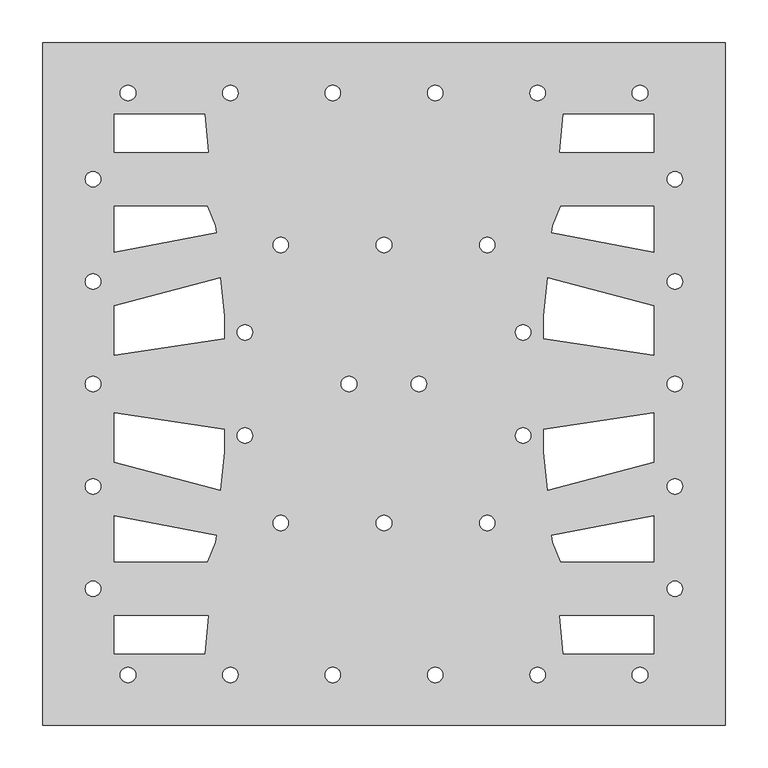
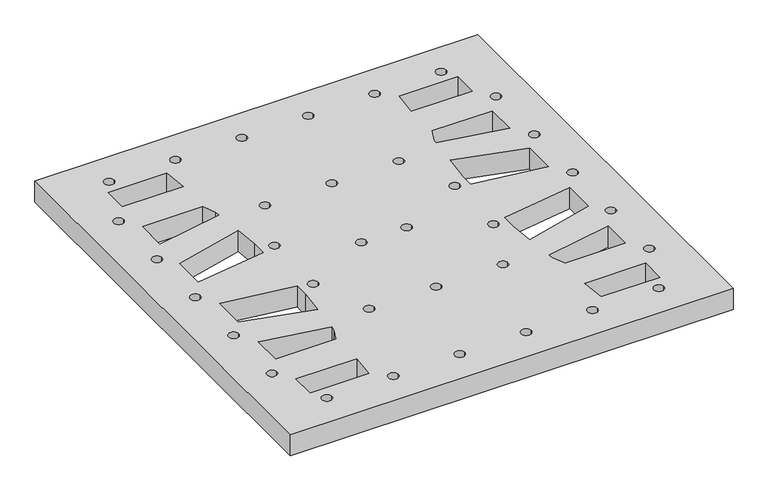
"""IFC4 building model written with IfcOpenShell, lengths in millimetres: proxy geometry."""

from ifc_helpers import new_model, si_unit, point, frame_2d, origin, origin_with_axes, place, context, project, spatial, polyline, circle_curve, trimmed, segment, composite_curve, outline, extrude, source, transform, mapped, element, save


def specialty_equipment_4893be3d(model_context):
    return source(origin(), model_context, "Body", "SweptSolid", [
        extrude(outline(polyline([(-757.5, 400.0), (-757.5, -400.0), (-1557.5, -400.0), (-1557.5, 400.0), (-757.5, 400.0)]), holes=[composite_curve([segment(trimmed(circle_curve(frame_2d((-816.5, 240.0)), 9.0), [point((-825.5, 240.0))], [point((-807.5, 240.0))], True, "CARTESIAN"), True, "CONTINUOUS"), segment(trimmed(circle_curve(frame_2d((-816.5, 240.0)), 9.0), [point((-807.5, 240.0))], [point((-825.5, 240.0))], True, "CARTESIAN"), True, "CONTINUOUS")], self_intersect=False), composite_curve([segment(trimmed(circle_curve(frame_2d((-816.5, 120.0)), 9.0), [point((-825.5, 120.0))], [point((-807.5, 120.0))], True, "CARTESIAN"), True, "CONTINUOUS"), segment(trimmed(circle_curve(frame_2d((-816.5, 120.0)), 9.0), [point((-807.5, 120.0))], [point((-825.5, 120.0))], True, "CARTESIAN"), True, "CONTINUOUS")], self_intersect=False), composite_curve([segment(trimmed(circle_curve(frame_2d((-816.5, 0.0)), 9.0), [point((-825.5, 0.0))], [point((-807.5, 0.0))], True, "CARTESIAN"), True, "CONTINUOUS"), segment(trimmed(circle_curve(frame_2d((-816.5, 0.0)), 9.0), [point((-807.5, 0.0))], [point((-825.5, 0.0))], True, "CARTESIAN"), True, "CONTINUOUS")], self_intersect=False), composite_curve([segment(trimmed(circle_curve(frame_2d((-816.5, -120.0)), 9.0), [point((-825.5, -120.0))], [point((-807.5, -120.0))], True, "CARTESIAN"), True, "CONTINUOUS"), segment(trimmed(circle_curve(frame_2d((-816.5, -120.0)), 9.0), [point((-807.5, -120.0))], [point((-825.5, -120.0))], True, "CARTESIAN"), True, "CONTINUOUS")], self_intersect=False), composite_curve([segment(trimmed(circle_curve(frame_2d((-816.5, -240.0)), 9.0), [point((-825.5, -240.0))], [point((-807.5, -240.0))], True, "CARTESIAN"), True, "CONTINUOUS"), segment(trimmed(circle_curve(frame_2d((-816.5, -240.0)), 9.0), [point((-807.5, -240.0))], [point((-825.5, -240.0))], True, "CARTESIAN"), True, "CONTINUOUS")], self_intersect=False), composite_curve([segment(trimmed(circle_curve(frame_2d((-857.5, 341.0)), 9.0), [point((-866.5, 341.0))], [point((-848.5, 341.0))], True, "CARTESIAN"), True, "CONTINUOUS"), segment(trimmed(circle_curve(frame_2d((-857.5, 341.0)), 9.0), [point((-848.5, 341.0))], [point((-866.5, 341.0))], True, "CARTESIAN"), True, "CONTINUOUS")], self_intersect=False), composite_curve([segment(trimmed(circle_curve(frame_2d((-857.5, -341.0)), 9.0), [point((-866.5, -341.0))], [point((-848.5, -341.0))], True, "CARTESIAN"), True, "CONTINUOUS"), segment(trimmed(circle_curve(frame_2d((-857.5, -341.0)), 9.0), [point((-848.5, -341.0))], [point((-866.5, -341.0))], True, "CARTESIAN"), True, "CONTINUOUS")], self_intersect=False), composite_curve([segment(trimmed(circle_curve(frame_2d((-977.5, 341.0)), 9.0), [point((-986.5, 341.0))], [point((-968.5, 341.0))], True, "CARTESIAN"), True, "CONTINUOUS"), segment(trimmed(circle_curve(frame_2d((-977.5, 341.0)), 9.0), [point((-968.5, 341.0))], [point((-986.5, 341.0))], True, "CARTESIAN"), True, "CONTINUOUS")], self_intersect=False), composite_curve([segment(trimmed(circle_curve(frame_2d((-977.5, -341.0)), 9.0), [point((-986.5, -341.0))], [point((-968.5, -341.0))], True, "CARTESIAN"), True, "CONTINUOUS"), segment(trimmed(circle_curve(frame_2d((-977.5, -341.0)), 9.0), [point((-968.5, -341.0))], [point((-986.5, -341.0))], True, "CARTESIAN"), True, "CONTINUOUS")], self_intersect=False), composite_curve([segment(trimmed(circle_curve(frame_2d((-994.5, -60.5)), 9.0), [point((-1003.5, -60.5))], [point((-985.5, -60.5))], True, "CARTESIAN"), True, "CONTINUOUS"), segment(trimmed(circle_curve(frame_2d((-994.5, -60.5)), 9.0), [point((-985.5, -60.5))], [point((-1003.5, -60.5))], True, "CARTESIAN"), True, "CONTINUOUS")], self_intersect=False), composite_curve([segment(trimmed(circle_curve(frame_2d((-994.5, 60.5)), 9.0), [point((-1003.5, 60.5))], [point((-985.5, 60.5))], True, "CARTESIAN"), True, "CONTINUOUS"), segment(trimmed(circle_curve(frame_2d((-994.5, 60.5)), 9.0), [point((-985.5, 60.5))], [point((-1003.5, 60.5))], True, "CARTESIAN"), True, "CONTINUOUS")], self_intersect=False), composite_curve([segment(trimmed(circle_curve(frame_2d((-1036.5, -163.0)), 9.0), [point((-1045.5, -163.0))], [point((-1027.5, -163.0))], True, "CARTESIAN"), True, "CONTINUOUS"), segment(trimmed(circle_curve(frame_2d((-1036.5, -163.0)), 9.0), [point((-1027.5, -163.0))], [point((-1045.5, -163.0))], True, "CARTESIAN"), True, "CONTINUOUS")], self_intersect=False), composite_curve([segment(trimmed(circle_curve(frame_2d((-1036.5, 163.0)), 9.0), [point((-1045.5, 163.0))], [point((-1027.5, 163.0))], True, "CARTESIAN"), True, "CONTINUOUS"), segment(trimmed(circle_curve(frame_2d((-1036.5, 163.0)), 9.0), [point((-1027.5, 163.0))], [point((-1045.5, 163.0))], True, "CARTESIAN"), True, "CONTINUOUS")], self_intersect=False), composite_curve([segment(trimmed(circle_curve(frame_2d((-1097.5, 341.0)), 9.0), [point((-1106.5, 341.0))], [point((-1088.5, 341.0))], True, "CARTESIAN"), True, "CONTINUOUS"), segment(trimmed(circle_curve(frame_2d((-1097.5, 341.0)), 9.0), [point((-1088.5, 341.0))], [point((-1106.5, 341.0))], True, "CARTESIAN"), True, "CONTINUOUS")], self_intersect=False), composite_curve([segment(trimmed(circle_curve(frame_2d((-1097.5, -341.0)), 9.0), [point((-1106.5, -341.0))], [point((-1088.5, -341.0))], True, "CARTESIAN"), True, "CONTINUOUS"), segment(trimmed(circle_curve(frame_2d((-1097.5, -341.0)), 9.0), [point((-1088.5, -341.0))], [point((-1106.5, -341.0))], True, "CARTESIAN"), True, "CONTINUOUS")], self_intersect=False), composite_curve([segment(trimmed(circle_curve(frame_2d((-1116.5, 0.0)), 9.0), [point((-1125.5, 0.0))], [point((-1107.5, 0.0))], True, "CARTESIAN"), True, "CONTINUOUS"), segment(trimmed(circle_curve(frame_2d((-1116.5, 0.0)), 9.0), [point((-1107.5, 0.0))], [point((-1125.5, 0.0))], True, "CARTESIAN"), True, "CONTINUOUS")], self_intersect=False), composite_curve([segment(trimmed(circle_curve(frame_2d((-1157.5, 163.0)), 9.0), [point((-1166.5, 163.0))], [point((-1148.5, 163.0))], True, "CARTESIAN"), True, "CONTINUOUS"), segment(trimmed(circle_curve(frame_2d((-1157.5, 163.0)), 9.0), [point((-1148.5, 163.0))], [point((-1166.5, 163.0))], True, "CARTESIAN"), True, "CONTINUOUS")], self_intersect=False), composite_curve([segment(trimmed(circle_curve(frame_2d((-1157.5, -163.0)), 9.0), [point((-1166.5, -163.0))], [point((-1148.5, -163.0))], True, "CARTESIAN"), True, "CONTINUOUS"), segment(trimmed(circle_curve(frame_2d((-1157.5, -163.0)), 9.0), [point((-1148.5, -163.0))], [point((-1166.5, -163.0))], True, "CARTESIAN"), True, "CONTINUOUS")], self_intersect=False), composite_curve([segment(trimmed(circle_curve(frame_2d((-1198.5, 0.0)), 9.0), [point((-1207.5, 0.0))], [point((-1189.5, 0.0))], True, "CARTESIAN"), True, "CONTINUOUS"), segment(trimmed(circle_curve(frame_2d((-1198.5, 0.0)), 9.0), [point((-1189.5, 0.0))], [point((-1207.5, 0.0))], True, "CARTESIAN"), True, "CONTINUOUS")], self_intersect=False), composite_curve([segment(trimmed(circle_curve(frame_2d((-1217.5, 341.0)), 9.0), [point((-1226.5, 341.0))], [point((-1208.5, 341.0))], True, "CARTESIAN"), True, "CONTINUOUS"), segment(trimmed(circle_curve(frame_2d((-1217.5, 341.0)), 9.0), [point((-1208.5, 341.0))], [point((-1226.5, 341.0))], True, "CARTESIAN"), True, "CONTINUOUS")], self_intersect=False), composite_curve([segment(trimmed(circle_curve(frame_2d((-1217.5, -341.0)), 9.0), [point((-1226.5, -341.0))], [point((-1208.5, -341.0))], True, "CARTESIAN"), True, "CONTINUOUS"), segment(trimmed(circle_curve(frame_2d((-1217.5, -341.0)), 9.0), [point((-1208.5, -341.0))], [point((-1226.5, -341.0))], True, "CARTESIAN"), True, "CONTINUOUS")], self_intersect=False), composite_curve([segment(trimmed(circle_curve(frame_2d((-1278.5, 163.0)), 9.0), [point((-1287.5, 163.0))], [point((-1269.5, 163.0))], True, "CARTESIAN"), True, "CONTINUOUS"), segment(trimmed(circle_curve(frame_2d((-1278.5, 163.0)), 9.0), [point((-1269.5, 163.0))], [point((-1287.5, 163.0))], True, "CARTESIAN"), True, "CONTINUOUS")], self_intersect=False), composite_curve([segment(trimmed(circle_curve(frame_2d((-1278.5, -163.0)), 9.0), [point((-1287.5, -163.0))], [point((-1269.5, -163.0))], True, "CARTESIAN"), True, "CONTINUOUS"), segment(trimmed(circle_curve(frame_2d((-1278.5, -163.0)), 9.0), [point((-1269.5, -163.0))], [point((-1287.5, -163.0))], True, "CARTESIAN"), True, "CONTINUOUS")], self_intersect=False), composite_curve([segment(trimmed(circle_curve(frame_2d((-1320.5, -60.5)), 9.0), [point((-1329.5, -60.5))], [point((-1311.5, -60.5))], True, "CARTESIAN"), True, "CONTINUOUS"), segment(trimmed(circle_curve(frame_2d((-1320.5, -60.5)), 9.0), [point((-1311.5, -60.5))], [point((-1329.5, -60.5))], True, "CARTESIAN"), True, "CONTINUOUS")], self_intersect=False), composite_curve([segment(trimmed(circle_curve(frame_2d((-1320.5, 60.5)), 9.0), [point((-1329.5, 60.5))], [point((-1311.5, 60.5))], True, "CARTESIAN"), True, "CONTINUOUS"), segment(trimmed(circle_curve(frame_2d((-1320.5, 60.5)), 9.0), [point((-1311.5, 60.5))], [point((-1329.5, 60.5))], True, "CARTESIAN"), True, "CONTINUOUS")], self_intersect=False), composite_curve([segment(trimmed(circle_curve(frame_2d((-1337.5, 341.0)), 9.0), [point((-1346.5, 341.0))], [point((-1328.5, 341.0))], True, "CARTESIAN"), True, "CONTINUOUS"), segment(trimmed(circle_curve(frame_2d((-1337.5, 341.0)), 9.0), [point((-1328.5, 341.0))], [point((-1346.5, 341.0))], True, "CARTESIAN"), True, "CONTINUOUS")], self_intersect=False), composite_curve([segment(trimmed(circle_curve(frame_2d((-1337.5, -341.0)), 9.0), [point((-1346.5, -341.0))], [point((-1328.5, -341.0))], True, "CARTESIAN"), True, "CONTINUOUS"), segment(trimmed(circle_curve(frame_2d((-1337.5, -341.0)), 9.0), [point((-1328.5, -341.0))], [point((-1346.5, -341.0))], True, "CARTESIAN"), True, "CONTINUOUS")], self_intersect=False), composite_curve([segment(trimmed(circle_curve(frame_2d((-1457.5, 341.0)), 9.0), [point((-1466.5, 341.0))], [point((-1448.5, 341.0))], True, "CARTESIAN"), True, "CONTINUOUS"), segment(trimmed(circle_curve(frame_2d((-1457.5, 341.0)), 9.0), [point((-1448.5, 341.0))], [point((-1466.5, 341.0))], True, "CARTESIAN"), True, "CONTINUOUS")], self_intersect=False), composite_curve([segment(trimmed(circle_curve(frame_2d((-1457.5, -341.0)), 9.0), [point((-1466.5, -341.0))], [point((-1448.5, -341.0))], True, "CARTESIAN"), True, "CONTINUOUS"), segment(trimmed(circle_curve(frame_2d((-1457.5, -341.0)), 9.0), [point((-1448.5, -341.0))], [point((-1466.5, -341.0))], True, "CARTESIAN"), True, "CONTINUOUS")], self_intersect=False), composite_curve([segment(trimmed(circle_curve(frame_2d((-1498.5, -240.0)), 9.0), [point((-1507.5, -240.0))], [point((-1489.5, -240.0))], True, "CARTESIAN"), True, "CONTINUOUS"), segment(trimmed(circle_curve(frame_2d((-1498.5, -240.0)), 9.0), [point((-1489.5, -240.0))], [point((-1507.5, -240.0))], True, "CARTESIAN"), True, "CONTINUOUS")], self_intersect=False), composite_curve([segment(trimmed(circle_curve(frame_2d((-1498.5, -120.0)), 9.0), [point((-1507.5, -120.0))], [point((-1489.5, -120.0))], True, "CARTESIAN"), True, "CONTINUOUS"), segment(trimmed(circle_curve(frame_2d((-1498.5, -120.0)), 9.0), [point((-1489.5, -120.0))], [point((-1507.5, -120.0))], True, "CARTESIAN"), True, "CONTINUOUS")], self_intersect=False), composite_curve([segment(trimmed(circle_curve(frame_2d((-1498.5, 0.0)), 9.0), [point((-1507.5, 0.0))], [point((-1489.5, 0.0))], True, "CARTESIAN"), True, "CONTINUOUS"), segment(trimmed(circle_curve(frame_2d((-1498.5, 0.0)), 9.0), [point((-1489.5, 0.0))], [point((-1507.5, 0.0))], True, "CARTESIAN"), True, "CONTINUOUS")], self_intersect=False), composite_curve([segment(trimmed(circle_curve(frame_2d((-1498.5, 120.0)), 9.0), [point((-1507.5, 120.0))], [point((-1489.5, 120.0))], True, "CARTESIAN"), True, "CONTINUOUS"), segment(trimmed(circle_curve(frame_2d((-1498.5, 120.0)), 9.0), [point((-1489.5, 120.0))], [point((-1507.5, 120.0))], True, "CARTESIAN"), True, "CONTINUOUS")], self_intersect=False), composite_curve([segment(trimmed(circle_curve(frame_2d((-1498.5, 240.0)), 9.0), [point((-1507.5, 240.0))], [point((-1489.5, 240.0))], True, "CARTESIAN"), True, "CONTINUOUS"), segment(trimmed(circle_curve(frame_2d((-1498.5, 240.0)), 9.0), [point((-1489.5, 240.0))], [point((-1507.5, 240.0))], True, "CARTESIAN"), True, "CONTINUOUS")], self_intersect=False), polyline([(-950.18, -208.557), (-841.443, -208.557), (-841.443, -154.305), (-960.712, -177.026), (-959.924, -185.223), (-950.18, -208.557)]), polyline([(-1367.656, -316.057), (-1363.366, -271.443), (-1473.557, -271.443), (-1473.557, -316.057), (-1367.656, -316.057)]), polyline([(-1473.557, 271.443), (-1363.366, 271.443), (-1367.656, 316.057), (-1473.557, 316.057), (-1473.557, 271.443)]), polyline([(-1473.557, 154.305), (-1354.288, 177.026), (-1355.076, 185.223), (-1364.82, 208.557), (-1473.557, 208.557), (-1473.557, 154.305)]), polyline([(-1355.076, -185.223), (-1354.288, -177.026), (-1473.557, -154.305), (-1473.557, -208.557), (-1364.82, -208.557), (-1355.076, -185.223)]), polyline([(-1344.943, -79.831), (-1344.943, -52.861), (-1473.557, -33.653), (-1473.557, -91.852), (-1349.261, -124.734), (-1344.943, -79.831)]), polyline([(-1473.557, 33.653), (-1344.943, 52.861), (-1344.943, 79.613), (-1344.964, 80.049), (-1349.261, 124.734), (-1473.557, 91.852), (-1473.557, 33.653)]), polyline([(-841.443, 154.305), (-841.443, 208.557), (-950.18, 208.557), (-959.924, 185.223), (-960.712, 177.026), (-841.443, 154.305)]), polyline([(-841.443, 271.443), (-841.443, 316.057), (-947.344, 316.057), (-951.634, 271.443), (-841.443, 271.443)]), polyline([(-970.057, 52.861), (-841.443, 33.653), (-841.443, 91.852), (-965.739, 124.734), (-970.036, 80.049), (-970.057, 79.613), (-970.057, 52.861)]), polyline([(-841.443, -91.852), (-841.443, -33.653), (-970.057, -52.861), (-970.057, -79.613), (-970.036, -80.049), (-965.739, -124.734), (-841.443, -91.852)]), polyline([(-947.344, -316.057), (-841.443, -316.057), (-841.443, -271.443), (-951.634, -271.443), (-947.344, -316.057)])]), origin_with_axes(), (0.0, 0.0, 1.0), 40.0),
    ])


if __name__ == "__main__":
    model = new_model("IFC4")
    model_context = context("Model", 3, world=origin())
    ifc_project = project(units=[si_unit("LENGTHUNIT", "METRE", prefix="MILLI")], contexts=[model_context])
    site = spatial("IfcSite", under=ifc_project)
    building = spatial("IfcBuilding", under=site)
    placement = place(None, origin())
    specialty_equipment_shape = specialty_equipment_4893be3d(model_context)
    element("IfcBuildingElementProxy", 1, Name="Specialty Equipment", at=placement, inside=building, context=model_context, shape_type="MappedRepresentation", body=[
        mapped(specialty_equipment_shape, transform((0.0, 0.0, 0.0), x_axis=(1.0, 0.0, 0.0), y_axis=(0.0, 1.0, 0.0), z_axis=(0.0, 0.0, 1.0))),
    ])
    save(model, "model.ifc")
